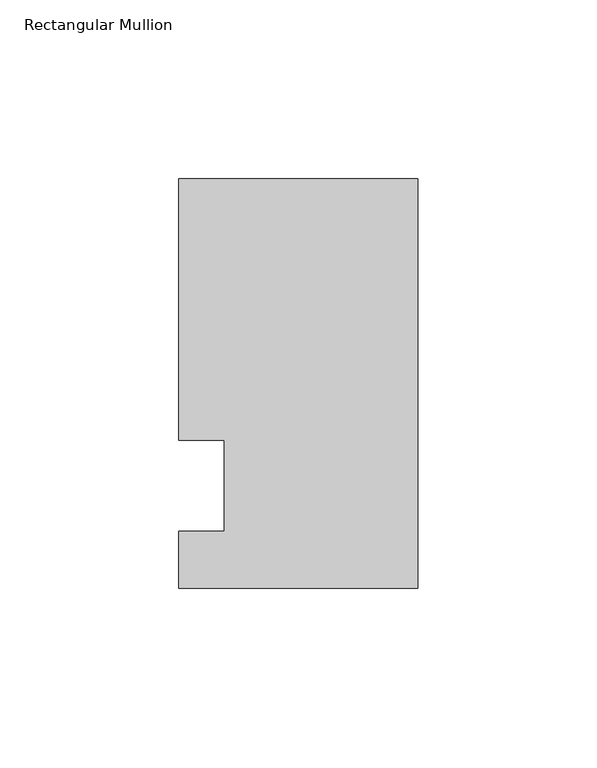
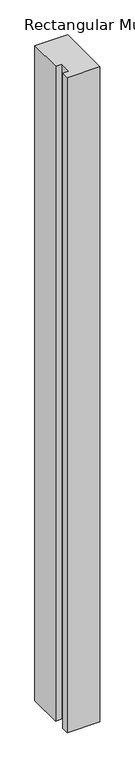
"""IFC4 building model written with IfcOpenShell, lengths in millimetres: member geometry, Rectangular Mullion."""

from ifc_helpers import new_model, si_unit, frame, origin, place, context, project, spatial, polyline, outline, extrude, source, transform, mapped, element, save


def rectangular_mullion_68a6d59c(model_context):
    return source(origin(), model_context, "Body", "SweptSolid", [
        extrude(outline(polyline([(-66.675, 85.725), (0.0, 85.725), (0.0, -28.575), (-66.675, -28.575), (-66.675, -12.7), (-53.9732296, -12.7), (-53.9732296, 12.7), (-66.675, 12.7), (-66.675, 85.725)])), frame((0.0, 0.0, -1416.1510693), z_axis=(0.0, 0.0, 1.0), x_axis=(1.0, 0.0, 0.0)), (0.0, 0.0, 1.0), 1416.1510693),
    ])


if __name__ == "__main__":
    model = new_model("IFC4")
    model_context = context("Model", 3, world=origin())
    ifc_project = project(units=[si_unit("LENGTHUNIT", "METRE", prefix="MILLI")], contexts=[model_context])
    site = spatial("IfcSite", under=ifc_project)
    building = spatial("IfcBuilding", under=site)
    placement = place(None, origin())
    rectangular_mullion_shape = rectangular_mullion_68a6d59c(model_context)
    element("IfcMember", 1, ObjectType="Rectangular Mullion", at=placement, inside=building, context=model_context, shape_type="MappedRepresentation", body=[
        mapped(rectangular_mullion_shape, transform((0.0, 0.0, 0.0), x_axis=(1.0, 0.0, 0.0), y_axis=(0.0, 1.0, 0.0), z_axis=(0.0, 0.0, 1.0))),
    ])
    save(model, "model.ifc")
